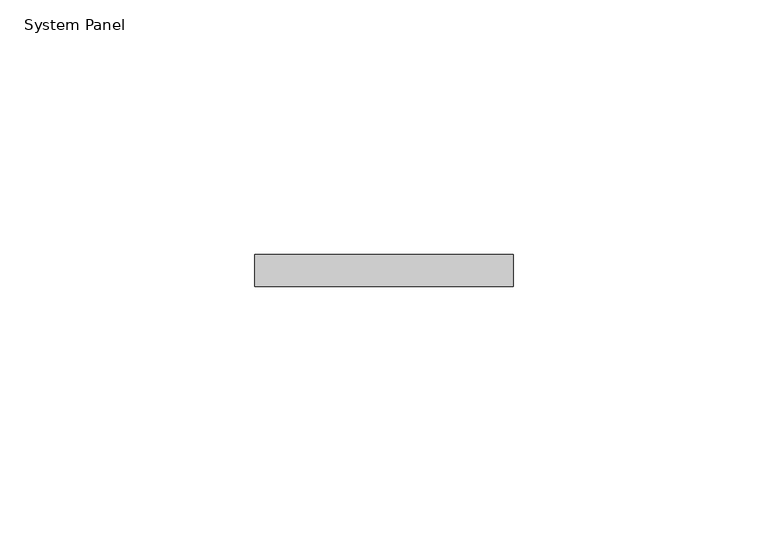
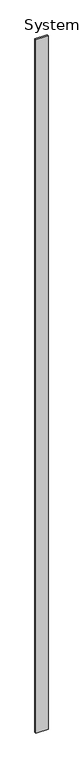
"""IFC4 building model written with IfcOpenShell, lengths in millimetres: plate geometry, System Panel."""

from ifc_helpers import new_model, si_unit, origin, origin_with_axes, place, context, project, spatial, polyline, outline, extrude, source, transform, mapped, element, save


def system_panel_eb1c65a3(model_context):
    return source(origin(), model_context, "Body", "SweptSolid", [
        extrude(outline(polyline([(25.4, 0.0), (-25.4, 0.0), (-25.4, 6.35), (25.4, 6.35), (25.4, 0.0)])), origin_with_axes(), (0.0, 0.0, 1.0), 3048.0),
    ])


if __name__ == "__main__":
    model = new_model("IFC4")
    model_context = context("Model", 3, world=origin())
    ifc_project = project(units=[si_unit("LENGTHUNIT", "METRE", prefix="MILLI")], contexts=[model_context])
    site = spatial("IfcSite", under=ifc_project)
    building = spatial("IfcBuilding", under=site)
    placement = place(None, origin())
    system_panel_shape = system_panel_eb1c65a3(model_context)
    element("IfcPlate", 1, ObjectType="System Panel", at=placement, inside=building, context=model_context, shape_type="MappedRepresentation", body=[
        mapped(system_panel_shape, transform((0.0, 0.0, 0.0), x_axis=(1.0, 0.0, 0.0), y_axis=(0.0, 1.0, 0.0), z_axis=(0.0, 0.0, 1.0))),
    ])
    save(model, "model.ifc")
